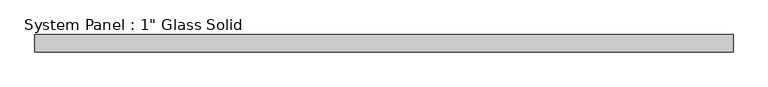
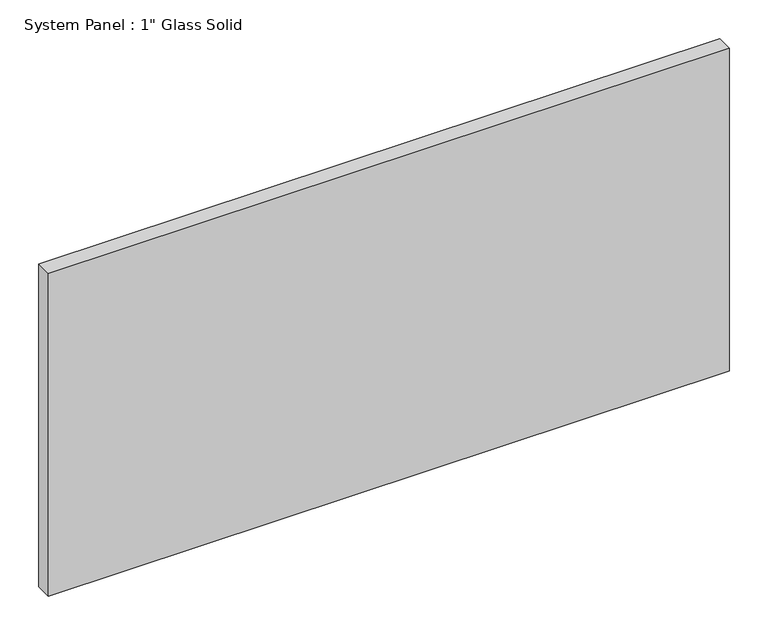
"""IFC4 building model written with IfcOpenShell, lengths in millimetres: plate geometry."""

from ifc_helpers import new_model, si_unit, origin, origin_with_axes, place, context, project, spatial, polyline, outline, extrude, source, transform, mapped, element, save


def plate_64d352aa(model_context):
    return source(origin(), model_context, "Body", "SweptSolid", [
        extrude(outline(polyline([(509.8520833, -12.7), (-509.8520833, -12.7), (-509.8520833, 12.7), (509.8520833, 12.7), (509.8520833, -12.7)])), origin_with_axes(), (0.0, 0.0, 1.0), 511.175),
    ])


if __name__ == "__main__":
    model = new_model("IFC4")
    model_context = context("Model", 3, world=origin())
    ifc_project = project(units=[si_unit("LENGTHUNIT", "METRE", prefix="MILLI")], contexts=[model_context])
    site = spatial("IfcSite", under=ifc_project)
    building = spatial("IfcBuilding", under=site)
    placement = place(None, origin())
    plate_shape = plate_64d352aa(model_context)
    element("IfcPlate", 1, ObjectType="System Panel : 1\" Glass Solid", at=placement, inside=building, context=model_context, shape_type="MappedRepresentation", body=[
        mapped(plate_shape, transform((0.0, 0.0, 0.0), x_axis=(1.0, 0.0, 0.0), y_axis=(0.0, 1.0, 0.0), z_axis=(0.0, 0.0, 1.0))),
    ])
    save(model, "model.ifc")
